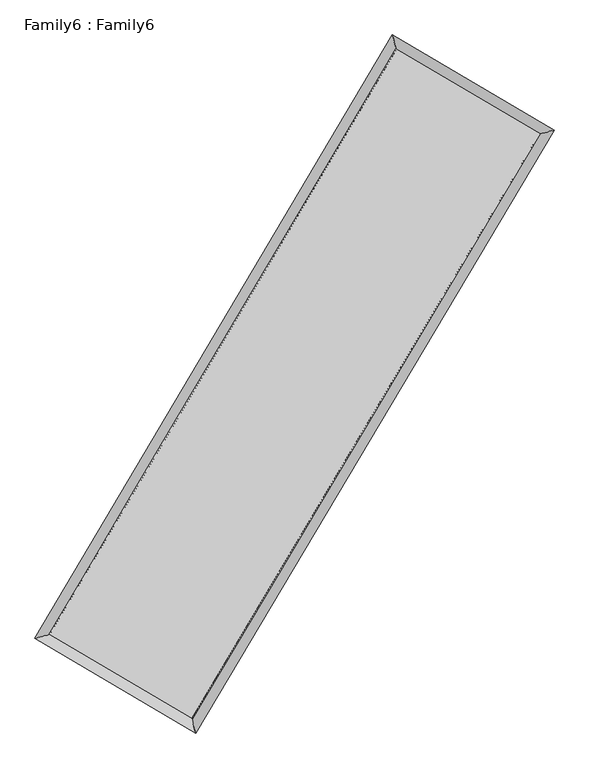
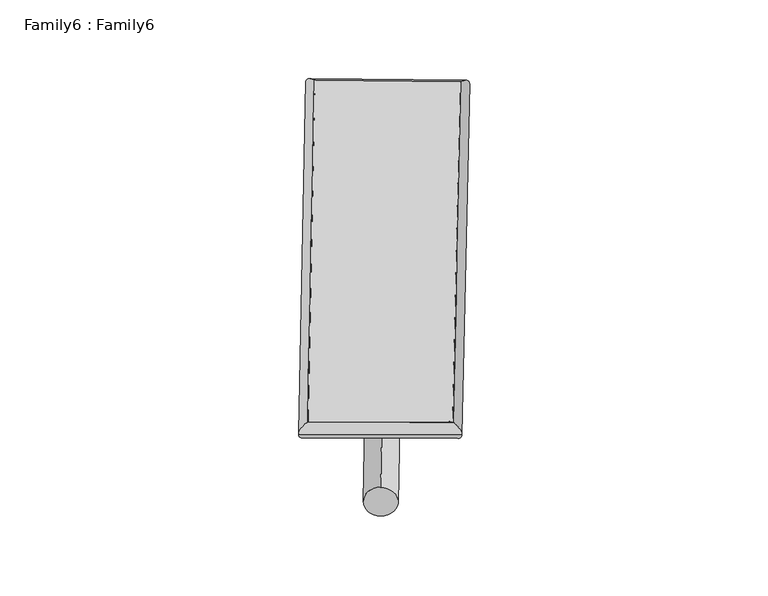
"""IFC4 building model written with IfcOpenShell, lengths in millimetres: plate geometry, Family6 : Family6."""

import ifcopenshell
import ifcopenshell.guid

model = None  # the IFC model being written
_history = None  # IfcOwnerHistory: only IFC2X3 demands one
_inside = {}  # id of a spatial element -> (the spatial element, [elements in it])
_under = {}  # id of a project, library or spatial element -> (it, [spatial elements below it])
_declared = {}  # id of a project -> (the project, [libraries it declares])
_typed = {}  # id of a type object -> (the type object, [elements of that type])
_made_of = {}  # id of a material, layer set ... -> (it, [elements and type objects made of it])


def new_model(schema):
    """Start an empty IFC model of exactly this schema.

    Asked for "IFC4X3", IfcOpenShell would pick the latest addendum, in which some entities
    have other attributes; the version numbers below select the first issue.
    IFC2X3 requires an IfcOwnerHistory on every rooted entity: one is made here for all.
    """
    global model, _history
    if schema == "IFC4X3":
        model = ifcopenshell.file(schema_version=(4, 3, 0, 0))
    else:
        model = ifcopenshell.file(schema=schema)
    _inside.clear()
    _under.clear()
    _declared.clear()
    _typed.clear()
    _made_of.clear()
    _history = None
    if model.schema == "IFC2X3":
        org = make("IfcOrganization", Name="unknown")
        user = make(
            "IfcPersonAndOrganization",
            ThePerson=make("IfcPerson", FamilyName="unknown"),
            TheOrganization=org,
        )
        app = make(
            "IfcApplication",
            ApplicationDeveloper=org,
            Version="unknown",
            ApplicationFullName="unknown",
            ApplicationIdentifier="unknown",
        )
        _history = make(
            "IfcOwnerHistory",
            OwningUser=user,
            OwningApplication=app,
            ChangeAction="ADDED",
            CreationDate=0,
        )
    return model


def make(cls, **values):
    """One entity of the class cls with the attributes given. An attribute that is None is left unset."""
    return model.create_entity(
        cls, **{name: value for name, value in values.items() if value is not None}
    )


def rooted(cls, **values):
    """An entity with a GlobalId (a new one), such as an element, a storey or a relation."""
    return make(cls, GlobalId=ifcopenshell.guid.new(), OwnerHistory=_history, **values)


def si_unit(unit_type, name, prefix=None):
    """IfcSIUnit, for example si_unit("LENGTHUNIT", "METRE", prefix="MILLI")."""
    return make("IfcSIUnit", UnitType=unit_type, Prefix=prefix, Name=name)


def assignment(units):
    """IfcUnitAssignment: the units of a project."""
    return None if units is None else make("IfcUnitAssignment", Units=units)


def point(xyz):
    """IfcCartesianPoint."""
    return None if xyz is None else make("IfcCartesianPoint", Coordinates=xyz)


def direction(xyz):
    """IfcDirection."""
    return None if xyz is None else make("IfcDirection", DirectionRatios=xyz)


def frame(location, z_axis=None, x_axis=None):
    """IfcAxis2Placement3D, a coordinate frame: its origin and axes. An axis left out is left unset."""
    return make(
        "IfcAxis2Placement3D",
        Location=point(location),
        Axis=direction(z_axis),
        RefDirection=direction(x_axis),
    )


def frame_2d(location, x_axis=None):
    """IfcAxis2Placement2D, a coordinate frame in the plane: its origin and x axis."""
    return make(
        "IfcAxis2Placement2D", Location=point(location), RefDirection=direction(x_axis)
    )


def origin():
    """The frame at (0, 0, 0) with its axes left unset."""
    return frame((0.0, 0.0, 0.0))


def origin_2d():
    """The frame at (0, 0) in the plane with its x axis left unset."""
    return frame_2d((0.0, 0.0))


def place(relative_to, where):
    """IfcLocalPlacement: puts the frame where relative to a parent placement (None: the world)."""
    return make(
        "IfcLocalPlacement", PlacementRelTo=relative_to, RelativePlacement=where
    )


def context(
    kind, dimensions, precision=None, world=None, true_north=None, identifier=None
):
    """IfcGeometricRepresentationContext, for example the 3D "Model" context."""
    return make(
        "IfcGeometricRepresentationContext",
        ContextIdentifier=identifier,
        ContextType=kind,
        CoordinateSpaceDimension=dimensions,
        Precision=precision,
        WorldCoordinateSystem=world,
        TrueNorth=true_north,
    )


def project(units=None, contexts=None):
    """IfcProject with its units and contexts."""
    return rooted(
        "IfcProject",
        Name="project",
        RepresentationContexts=contexts,
        UnitsInContext=assignment(units),
    )


def spatial(cls, under=None, at=None, **own):
    """A site, building, storey or space (cls), placed at a placement, below another one or the project."""
    s = rooted(cls, ObjectPlacement=at, **own)
    if under is not None:
        _under.setdefault(under.id(), (under, []))[1].append(s)
    return s


def circle_curve(where, radius):
    """IfcCircle in the frame where."""
    return make("IfcCircle", Position=where, Radius=radius)


def ellipse_curve(where, semi_axis1, semi_axis2):
    """IfcEllipse in the frame where."""
    return make(
        "IfcEllipse", Position=where, SemiAxis1=semi_axis1, SemiAxis2=semi_axis2
    )


def trimmed(basis, trim1, trim2, sense, master):
    """IfcTrimmedCurve: the piece of a basis curve between two trims."""
    return make(
        "IfcTrimmedCurve",
        BasisCurve=basis,
        Trim1=trim1,
        Trim2=trim2,
        SenseAgreement=sense,
        MasterRepresentation=master,
    )


def segment(curve, same_sense, transition):
    """IfcCompositeCurveSegment."""
    return make(
        "IfcCompositeCurveSegment",
        Transition=transition,
        SameSense=same_sense,
        ParentCurve=curve,
    )


def composite_curve(segments, self_intersect=None):
    """IfcCompositeCurve: segments joined end to end."""
    return make("IfcCompositeCurve", Segments=segments, SelfIntersect=self_intersect)


def outline(outer, holes=None, kind="AREA"):
    """IfcArbitraryClosedProfileDef: a profile drawn as a closed curve; with holes, ...WithVoids."""
    if holes is None:
        return make("IfcArbitraryClosedProfileDef", ProfileType=kind, OuterCurve=outer)
    return make(
        "IfcArbitraryProfileDefWithVoids",
        ProfileType=kind,
        OuterCurve=outer,
        InnerCurves=holes,
    )


def extrude(swept, where, along, depth):
    """IfcExtrudedAreaSolid: the profile swept, set in the frame where, extruded along a direction by depth."""
    return make(
        "IfcExtrudedAreaSolid",
        SweptArea=swept,
        Position=where,
        ExtrudedDirection=direction(along),
        Depth=depth,
    )


def shape(context_of_items, identifier, shape_type, items):
    """IfcShapeRepresentation: the items that make up one representation, for example the "Body"."""
    return make(
        "IfcShapeRepresentation",
        ContextOfItems=context_of_items,
        RepresentationIdentifier=identifier,
        RepresentationType=shape_type,
        Items=items,
    )


def source(mapping_origin, context_of_items, identifier, shape_type, items):
    """IfcRepresentationMap: a shape defined once, which mapped items show again and again."""
    return make(
        "IfcRepresentationMap",
        MappingOrigin=mapping_origin,
        MappedRepresentation=shape(context_of_items, identifier, shape_type, items),
    )


def transform(
    local_origin,
    x_axis=None,
    y_axis=None,
    z_axis=None,
    scale=None,
    scale2=None,
    scale3=None,
    uniform=True,
):
    """IfcCartesianTransformationOperator3D, or its non-uniform kind. x_axis, y_axis, z_axis: its Axis1, 2, 3."""
    if uniform:
        return make(
            "IfcCartesianTransformationOperator3D",
            Axis1=direction(x_axis),
            Axis2=direction(y_axis),
            LocalOrigin=point(local_origin),
            Scale=scale,
            Axis3=direction(z_axis),
        )
    return make(
        "IfcCartesianTransformationOperator3DnonUniform",
        Axis1=direction(x_axis),
        Axis2=direction(y_axis),
        LocalOrigin=point(local_origin),
        Scale=scale,
        Axis3=direction(z_axis),
        Scale2=scale2,
        Scale3=scale3,
    )


def mapped(mapping_source, mapping_target):
    """IfcMappedItem: shows the shape of a source again, moved by a transform."""
    return make(
        "IfcMappedItem", MappingSource=mapping_source, MappingTarget=mapping_target
    )


def made_of(thing, what):
    """Note that an element or type object is made of a material, layer set ...; save() writes the relation."""
    if what is not None:
        _made_of.setdefault(what.id(), (what, []))[1].append(thing)
    return thing


def element(
    cls,
    number,
    at=None,
    inside=None,
    cuts=None,
    type_object=None,
    material=None,
    context=None,
    identifier="Body",
    shape_type=None,
    held_by="IfcProductDefinitionShape",
    body=None,
    shapes=None,
    **own,
):
    """One element of the class cls, such as IfcWall. Its Tag is "e" and its number.

    at: its placement. inside: the storey or other place that contains it. cuts: it is an
    opening in that element (IfcRelVoidsElement). A single representation is given by context,
    identifier, shape_type and body (its items); several are given by shapes. held_by: the class
    of the entity that holds the representations. save() writes the other relations.
    """
    e = rooted(cls, Tag="e%d" % number, ObjectPlacement=at, **own)
    if body is not None:
        shapes = [shape(context, identifier, shape_type, body)]
    if shapes is not None:
        e.Representation = make(held_by, Representations=shapes)
    if inside is not None:
        _inside.setdefault(inside.id(), (inside, []))[1].append(e)
    if cuts is not None:
        rooted(
            "IfcRelVoidsElement", RelatingBuildingElement=cuts, RelatedOpeningElement=e
        )
    if type_object is not None:
        _typed.setdefault(type_object.id(), (type_object, []))[1].append(e)
    return made_of(e, material)


def aggregate(whole, parts):
    """IfcRelAggregates: a whole, such as a stair, and the parts it consists of."""
    return rooted("IfcRelAggregates", RelatingObject=whole, RelatedObjects=parts)


def save(model, path):
    """Write the relations noted so far, then the file.

    IfcRelAggregates (storeys below a building ...), IfcRelContainedInSpatialStructure (elements
    in a storey), IfcRelDefinesByType, IfcRelAssociatesMaterial and IfcRelDeclares: one each for
    every whole, place, type object, material and project.
    """
    for whole, parts in _under.values():
        aggregate(whole, parts)
    for where, things in _inside.values():
        rooted(
            "IfcRelContainedInSpatialStructure",
            RelatedElements=things,
            RelatingStructure=where,
        )
    for kind, things in _typed.values():
        rooted("IfcRelDefinesByType", RelatedObjects=things, RelatingType=kind)
    for what, things in _made_of.values():
        rooted("IfcRelAssociatesMaterial", RelatedObjects=things, RelatingMaterial=what)
    for by, libraries in _declared.values():
        rooted("IfcRelDeclares", RelatingContext=by, RelatedDefinitions=libraries)
    model.write(path)


def plane_surface(at):
    """IfcPlane: the flat surface through the origin of the frame at, square to its z axis."""
    return make("IfcPlane", Position=at)


def cylinder_surface(at, radius):
    """IfcCylindricalSurface: all points at the distance radius from the z axis of the frame at."""
    return make("IfcCylindricalSurface", Position=at, Radius=radius)


def spline_surface(u_degree, v_degree, points, u_multiplicities, v_multiplicities, u_knots, v_knots, weights=None):
    """IfcBSplineSurfaceWithKnots; with weights, IfcRationalBSplineSurfaceWithKnots. points: one row for each step in u."""
    own = dict(
        UDegree=u_degree,
        VDegree=v_degree,
        ControlPointsList=[[point(p) for p in row] for row in points],
        SurfaceForm="UNSPECIFIED",
        UClosed=False,
        VClosed=False,
        SelfIntersect=False,
        UMultiplicities=u_multiplicities,
        VMultiplicities=v_multiplicities,
        UKnots=u_knots,
        VKnots=v_knots,
        KnotSpec="UNSPECIFIED",
    )
    if weights is None:
        return make("IfcBSplineSurfaceWithKnots", **own)
    return make("IfcRationalBSplineSurfaceWithKnots", WeightsData=weights, **own)


def advanced_brep(points, edges, surfaces, faces):
    """IfcAdvancedBrep: a solid bounded by faces that lie on surfaces and meet in shared edges.

    An edge is (start, end): straight between two places in points (the first is 0);
    or (start, end, curve); or (start, end, curve, False) where it runs against its curve.
    A face is (place in surfaces, loops), or (place, loops, False) where it looks against
    its surface's normal. A loop lists edges by number (the first is 1), with a minus sign
    where the edge is run from its end to its start. The first loop is the outer one.
    """
    corners = [point(p) for p in points]
    vertices = [make("IfcVertexPoint", VertexGeometry=c) for c in corners]
    made = []
    for start, end, *more in edges:
        made.append(
            make(
                "IfcEdgeCurve",
                EdgeStart=vertices[start],
                EdgeEnd=vertices[end],
                EdgeGeometry=more[0] if more else make("IfcPolyline", Points=[corners[start], corners[end]]),
                SameSense=more[1] if len(more) > 1 else True,
            )
        )
    hull = []
    for where, loops, *sense in faces:
        bounds = []
        for j, loop in enumerate(loops):
            ring = [make("IfcOrientedEdge", EdgeElement=made[abs(k) - 1], Orientation=k > 0) for k in loop]
            bounds.append(
                make(
                    "IfcFaceOuterBound" if j == 0 else "IfcFaceBound",
                    Bound=make("IfcEdgeLoop", EdgeList=ring),
                    Orientation=True,
                )
            )
        hull.append(make("IfcAdvancedFace", Bounds=bounds, FaceSurface=surfaces[where], SameSense=sense[0] if sense else True))
    return make("IfcAdvancedBrep", Outer=make("IfcClosedShell", CfsFaces=hull))


def family6_family6_7f80c0fc(model_context):
    return source(origin(), model_context, "Body", "SolidModel", [
        extrude(outline(composite_curve([segment(trimmed(circle_curve(origin_2d(), 76.2), [point((-75.4341514, -10.7763073))], [point((75.4341514, 10.7763073))], False, "CARTESIAN"), True, "CONTINUOUS"), segment(trimmed(circle_curve(origin_2d(), 76.2), [point((75.4341514, 10.7763073))], [point((-75.4341514, -10.7763073))], False, "CARTESIAN"), True, "CONTINUOUS")], self_intersect=False)), frame((9144.0, 9144.0, 0.0), z_axis=(0.6744218567271327, 0.6862473002681496, 0.27243311480692484), x_axis=(-0.6782852010597427, 0.7216123490869495, -0.1385813972673071)), (0.0, 0.0, 1.0), 5571.0392979),
        extrude(outline(composite_curve([segment(trimmed(circle_curve(origin_2d(), 76.2), [point((-53.8815367, 53.8815368))], [point((53.8815367, -53.8815368))], False, "CARTESIAN"), True, "CONTINUOUS"), segment(trimmed(circle_curve(origin_2d(), 76.2), [point((53.8815367, -53.8815368))], [point((-53.8815367, 53.8815368))], False, "CARTESIAN"), True, "CONTINUOUS")], self_intersect=False)), frame((9144.0, 9144.0, 0.0), z_axis=(-0.6734324865192358, -0.6872100480951452, 0.27245373166390596), x_axis=(0.6410110648379248, -0.35925270044624996, 0.6782641903988643)), (0.0, 0.0, 1.0), 5570.3832643),
        extrude(outline(composite_curve([segment(trimmed(circle_curve(origin_2d(), 76.2), [point((-53.8815367, -53.8815367))], [point((53.8815367, 53.8815367))], False, "CARTESIAN"), True, "CONTINUOUS"), segment(trimmed(circle_curve(origin_2d(), 76.2), [point((53.8815367, 53.8815367))], [point((-53.8815367, -53.8815367))], False, "CARTESIAN"), True, "CONTINUOUS")], self_intersect=False)), frame((9144.0, 9144.0, 0.0), z_axis=(0.2789112746331875, 0.9203177633056776, 0.27426942123854287), x_axis=(-0.8391137943588116, 0.37244900332404507, -0.39644644031657483)), (0.0, 0.0, 1.0), 5567.8387519),
        extrude(outline(composite_curve([segment(trimmed(circle_curve(origin_2d(), 76.2), [point((-75.4341515, 10.7763074))], [point((75.4341515, -10.7763074))], False, "CARTESIAN"), True, "CONTINUOUS"), segment(trimmed(circle_curve(origin_2d(), 76.2), [point((75.4341515, -10.7763074))], [point((-75.4341515, 10.7763074))], False, "CARTESIAN"), True, "CONTINUOUS")], self_intersect=False)), frame((9144.0, 9144.0, 0.0), z_axis=(-0.2801556093207363, -0.9199017394542516, 0.2743968372907553), x_axis=(0.8766758089892475, -0.12872187536758356, 0.46354094181086186)), (0.0, 0.0, 1.0), 5565.0531821),
        advanced_brep(
        [(5183.7291536, 5262.2142049, 1518.4110596), (5601.7196517, 5369.7432636, 1518.6192849), (5601.7167413, 5369.7390932, 1516.9323547), (10750.4895434, 14059.6034302, 1526.0726224), (10643.3764631, 14476.758383, 1528.1032017), (5183.7262433, 5262.2100345, 1516.7241294), (12692.107237, 12913.5780916, 1517.8347891), (13110.3540974, 13020.6432642, 1517.6363882), (7531.4847966, 4233.0453981, 1526.8599169), (7638.3534731, 3816.3503972, 1527.2060681)],
        [
            (0, 1, ellipse_curve(frame((5392.7229475, 5315.9766491, 1517.6717071), z_axis=(-0.24913914863460465, 0.9684657071039404, -0.0019643780921644875), x_axis=(-0.9684609159878336, -0.2491444827177554, -0.0032374272669283047)), 215.8041505, 152.4)),
            (1, 2, ellipse_curve(frame((5392.7229475, 5315.9766491, 1517.6717071), z_axis=(-0.24913914863460465, 0.9684657071039404, -0.0019643780921644875), x_axis=(-0.9684609159878336, -0.2491444827177554, -0.0032374272669283047)), 215.8041505, 152.4)),
            (2, 3),
            (3, 4, ellipse_curve(frame((10696.9330032, 14268.1809066, 1527.087912), z_axis=(-0.9685757613641367, -0.24871112309347132, 0.0019420987274525563), x_axis=(0.24870422915070944, -0.9685741057192532, -0.003226163774510608)), 215.3462326, 152.4)),
            (4, 0),
            (2, 5, ellipse_curve(frame((5392.7229475, 5315.9766491, 1517.6717071), z_axis=(-0.24913914863460465, 0.9684657071039404, -0.0019643780921644875), x_axis=(-0.9684609159878336, -0.2491444827177554, -0.0032374272669283047)), 215.8041505, 152.4)),
            (5, 0, ellipse_curve(frame((5392.7229475, 5315.9766491, 1517.6717071), z_axis=(-0.24913914863460465, 0.9684657071039404, -0.0019643780921644875), x_axis=(-0.9684609159878336, -0.2491444827177554, -0.0032374272669283047)), 215.8041505, 152.4)),
            (4, 3, ellipse_curve(frame((10696.9330032, 14268.1809066, 1527.087912), z_axis=(-0.9685757613641367, -0.24871112309347132, 0.0019420987274525563), x_axis=(0.24870422915070944, -0.9685741057192532, -0.003226163774510608)), 215.3462326, 152.4)),
            (3, 6),
            (6, 7, ellipse_curve(frame((12901.2306672, 12967.1106779, 1517.7355886), z_axis=(-0.24798797226182565, 0.968761139071312, 0.0019547477386626703), x_axis=(-0.9687564410360341, -0.24799324764780492, 0.0032104629403853723)), 215.8673471, 152.4)),
            (7, 4),
            (7, 6, ellipse_curve(frame((12901.2306672, 12967.1106779, 1517.7355886), z_axis=(-0.24798797226182565, 0.968761139071312, 0.0019547477386626703), x_axis=(-0.9687564410360341, -0.24799324764780492, 0.0032104629403853723)), 215.8673471, 152.4)),
            (6, 8),
            (8, 9, ellipse_curve(frame((7584.9191349, 4024.6978976, 1527.0329925), z_axis=(0.9686482866666207, 0.2484283243377413, 0.0019658088824009), x_axis=(-0.2484213302323876, 0.9686466557262372, -0.0032402215892515887)), 215.0911705, 152.4)),
            (9, 7),
            (9, 8, ellipse_curve(frame((7584.9191349, 4024.6978976, 1527.0329925), z_axis=(0.9686482866666207, 0.2484283243377413, 0.0019658088824009), x_axis=(-0.2484213302323876, 0.9686466557262372, -0.0032402215892515887)), 215.0911705, 152.4)),
            (8, 1),
            (5, 9),
        ],
        [
            cylinder_surface(frame((5392.7229475, 5315.9766491, 1517.6717071), z_axis=(-0.5097452891727254, -0.8603248928705508, -0.0009049162889585259), x_axis=(-0.8603136364609159, 0.5097325626372172, 0.005758602841891884)), 152.4),
            cylinder_surface(frame((10696.9330032, 14268.1809066, 1527.087912), z_axis=(-0.8611720867024109, 0.5083003906859719, 0.0036537532899793964), x_axis=(0.5083109590962989, 0.8611683241257936, 0.00301436311236529)), 152.4),
            cylinder_surface(frame((12901.2306672, 12967.1106779, 1517.7355886), z_axis=(0.5110184625223447, 0.8595692713655635, -0.000893691990200438), x_axis=(0.8595697008657631, -0.5110184625223447, 0.0002455908009629502)), 152.4),
            cylinder_surface(frame((7584.9191349, 4024.6978976, 1527.0329925), z_axis=(0.8616273651887183, -0.5075280737695421, 0.003679387683516248), x_axis=(-0.5075218692103918, -0.8616351648333658, -0.002528832886668093)), 152.4),
        ],
        [
            (0, [[1, 2, 3, 4, 5]]),
            (0, [[6, 7, -5, 8, -3]]),
            (1, [[-4, 9, 10, 11]]),
            (1, [[-8, -11, 12, -9]]),
            (2, [[-10, 13, 14, 15]]),
            (2, [[-12, -15, 16, -13]]),
            (3, [[-14, 17, -1, -7, 18]]),
            (3, [[-16, -18, -6, -2, -17]]),
        ],
    ),
        extrude(outline(composite_curve([segment(trimmed(circle_curve(origin_2d(), 304.8), [point((0.0, 304.8))], [point((0.0, -304.8))], False, "CARTESIAN"), True, "CONTINUOUS"), segment(trimmed(circle_curve(origin_2d(), 304.8), [point((0.0, -304.8))], [point((0.0, 304.8))], False, "CARTESIAN"), True, "CONTINUOUS")], self_intersect=False)), frame((11805.7117084, 13639.798959, -0.000198), z_axis=(-0.5094531025385418, -0.8604984231907997, 3.789941895195227e-08), x_axis=(-0.8604984231908005, 0.5094531025385418, -1.0377851616969634e-08)), (0.0, 0.0, 1.0), 10449.2904062),
        advanced_brep(
        [(5392.7229475, 5315.9766491, 1517.6717071), (7584.9191349, 4024.6978976, 1527.0329925), (7584.9199055, 4024.696411, 1679.4329925), (5392.7237181, 5315.9751624, 1670.0717071), (12901.2306672, 12967.1106779, 1517.7355886), (12901.2314378, 12967.1091913, 1670.1355886), (10696.9330032, 14268.1809066, 1527.087912), (10696.9337738, 14268.1794199, 1679.487912)],
        [
            (0, 1),
            (1, 2),
            (2, 3),
            (3, 0),
            (1, 4),
            (4, 5),
            (5, 2),
            (4, 6),
            (6, 7),
            (7, 5),
            (6, 0),
            (3, 7),
        ],
        [
            plane_surface(frame((6488.8210412, 4670.3372733, 1522.3523498), z_axis=(-0.5075314907153651, -0.8616332084466959, -5.838862496732869e-06), x_axis=(0.8616273651887186, -0.5075280737695415, 0.0036793876835162476))),
            plane_surface(frame((10243.074901, 8495.9042878, 1522.3842906), z_axis=(0.8595696103295556, -0.5110186737398399, -9.331191097350627e-06), x_axis=(0.5110184625223444, 0.8595692713655637, -0.0008936919902004397))),
            plane_surface(frame((11799.0818352, 13617.6457922, 1522.4117503), z_axis=(0.5083038019403474, 0.8611778242029886, 5.830515209981303e-06), x_axis=(-0.8611720867024111, 0.5083003906859714, 0.0036537532899793947))),
            plane_surface(frame((8044.8279754, 9792.0787778, 1522.3798096), z_axis=(-0.8603252493823044, 0.5097454906013051, 9.322592144927848e-06), x_axis=(-0.5097452891727253, -0.8603248928705508, -0.0009049162889585274))),
            spline_surface(1, 1, [[(7584.9199055, 4024.696411, 1679.4329925), (5392.7237181, 5315.9751624, 1670.0717071)], [(12901.2314378, 12967.1091913, 1670.1355886), (10696.9337738, 14268.1794199, 1679.487912)]], [2, 2], [2, 2], [0.0, 1.0], [0.0, 1.0]),
            spline_surface(1, 1, [[(10696.9330032, 14268.1809066, 1527.087912), (5392.7229475, 5315.9766491, 1517.6717071)], [(12901.2306672, 12967.1106779, 1517.7355886), (7584.9191349, 4024.6978976, 1527.0329925)]], [2, 2], [2, 2], [0.0, 1.0], [0.0, 1.0]),
        ],
        [
            (0, [[1, 2, 3, 4]]),
            (1, [[5, 6, 7, -2]]),
            (2, [[8, 9, 10, -6]]),
            (3, [[11, -4, 12, -9]]),
            (4, [[-3, -7, -10, -12]]),
            (5, [[-11, -8, -5, -1]]),
        ],
    ),
    ])


if __name__ == "__main__":
    model = new_model("IFC4")
    model_context = context("Model", 3, world=origin())
    ifc_project = project(units=[si_unit("LENGTHUNIT", "METRE", prefix="MILLI")], contexts=[model_context])
    site = spatial("IfcSite", under=ifc_project)
    building = spatial("IfcBuilding", under=site)
    placement = place(None, origin())
    family6_family6_shape = family6_family6_7f80c0fc(model_context)
    element("IfcPlate", 1, ObjectType="Family6 : Family6", at=placement, inside=building, context=model_context, shape_type="MappedRepresentation", body=[
        mapped(family6_family6_shape, transform((0.0, 0.0, 0.0), x_axis=(1.0, 0.0, 0.0), y_axis=(0.0, 1.0, 0.0), z_axis=(0.0, 0.0, 1.0))),
    ])
    save(model, "model.ifc")
